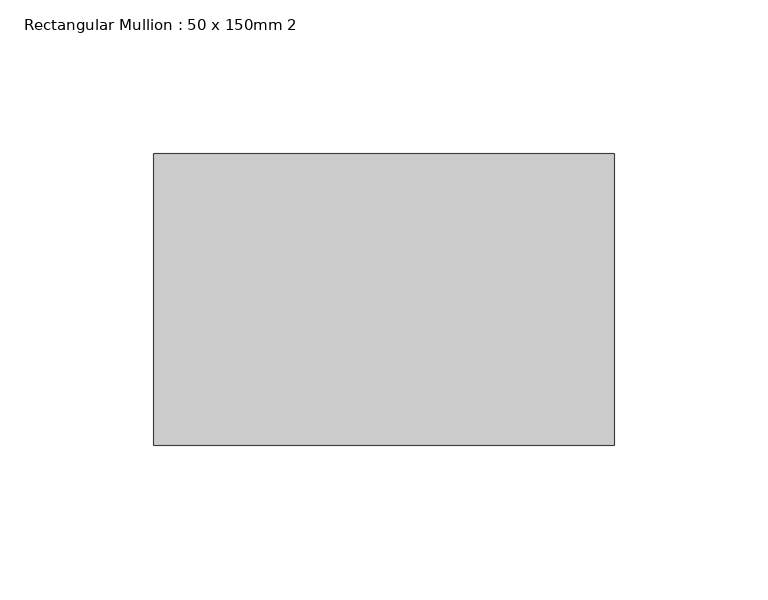
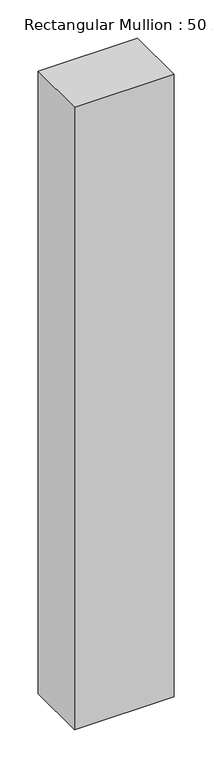
"""IFC4 building model written with IfcOpenShell, lengths in millimetres: member geometry, Rectangular Mullion : 50 x 150mm 2."""

from ifc_helpers import new_model, si_unit, frame, origin, place, context, project, spatial, polyline, outline, extrude, source, transform, mapped, element, save


def rectangular_mullion_50_x_150mm_2_156d1a49(model_context):
    return source(origin(), model_context, "Body", "SweptSolid", [
        extrude(outline(polyline([(0.0, 47.5), (0.0, -47.5), (-150.0, -47.5), (-150.0, 47.5), (0.0, 47.5)])), frame((0.0, 0.0, -992.4999998), z_axis=(0.0, 0.0, 1.0), x_axis=(1.0, 0.0, 0.0)), (0.0, 0.0, 1.0), 992.4999998),
    ])


if __name__ == "__main__":
    model = new_model("IFC4")
    model_context = context("Model", 3, world=origin())
    ifc_project = project(units=[si_unit("LENGTHUNIT", "METRE", prefix="MILLI")], contexts=[model_context])
    site = spatial("IfcSite", under=ifc_project)
    building = spatial("IfcBuilding", under=site)
    placement = place(None, origin())
    rectangular_mullion_50_x_150mm_2_shape = rectangular_mullion_50_x_150mm_2_156d1a49(model_context)
    element("IfcMember", 1, ObjectType="Rectangular Mullion : 50 x 150mm 2", at=placement, inside=building, context=model_context, shape_type="MappedRepresentation", body=[
        mapped(rectangular_mullion_50_x_150mm_2_shape, transform((0.0, 0.0, 0.0), x_axis=(1.0, 0.0, 0.0), y_axis=(0.0, 1.0, 0.0), z_axis=(0.0, 0.0, 1.0))),
    ])
    save(model, "model.ifc")
